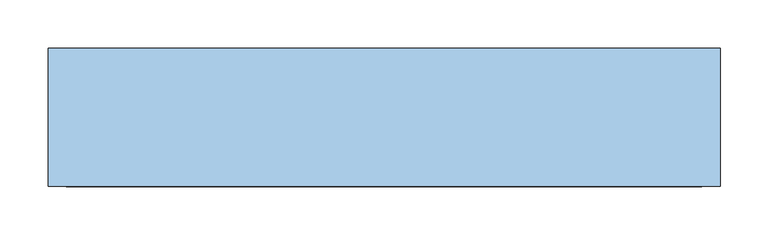
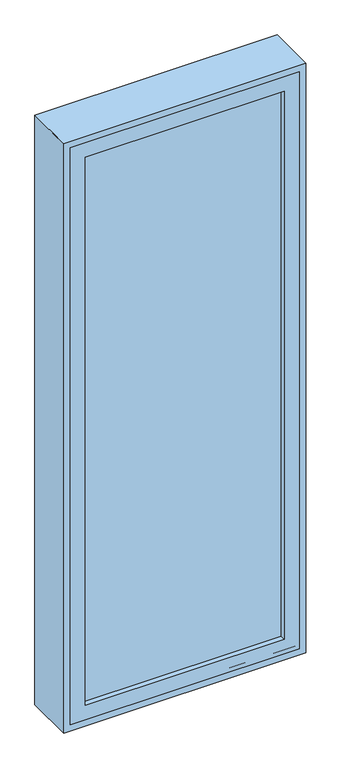
"""IFC4 building model written with IfcOpenShell, lengths in millimetres: window geometry."""

from ifc_helpers import new_model, si_unit, frame, origin, place, context, project, spatial, polyline, outline, extrude, source, transform, mapped, element, save


def window_1981a996(model_context):
    return source(origin(), model_context, "Body", "SweptSolid", [
        extrude(outline(polyline([(-287.0, -58.0), (287.0, -58.0), (287.0, -70.0), (-287.0, -70.0), (-287.0, -58.0)])), frame((0.0, 0.0, 368.0), z_axis=(0.0, 0.0, 1.0), x_axis=(1.0, 0.0, 0.0)), (0.0, 0.0, 1.0), 1674.0),
        extrude(outline(polyline([(2086.0, -331.0), (324.0, -331.0), (324.0, 331.0), (2086.0, 331.0), (2086.0, -331.0)]), holes=[polyline([(2042.0, -287.0), (2042.0, 287.0), (368.0, 287.0), (368.0, -287.0), (2042.0, -287.0)])]), frame((0.0, -86.0, 0.0), z_axis=(0.0, 1.0, 0.0), x_axis=(0.0, 0.0, 1.0)), (0.0, 0.0, 1.0), 44.0),
        extrude(outline(polyline([(2105.0, -350.0), (305.0, -350.0), (305.0, 350.0), (2105.0, 350.0), (2105.0, -350.0)]), holes=[polyline([(2086.0, -331.0), (2086.0, 331.0), (324.0, 331.0), (324.0, -331.0), (2086.0, -331.0)])]), frame((0.0, -86.0, 0.0), z_axis=(0.0, 1.0, 0.0), x_axis=(0.0, 0.0, 1.0)), (0.0, 0.0, 1.0), 144.0),
        extrude(outline(polyline([(2105.0, -350.0), (305.0, -350.0), (305.0, 350.0), (2105.0, 350.0), (2105.0, -350.0)]), holes=[polyline([(2073.0, -318.0), (2073.0, 318.0), (337.0, 318.0), (337.0, -318.0), (2073.0, -318.0)])]), frame((0.0, -86.0, 0.0), z_axis=(0.0, 1.0, 0.0), x_axis=(0.0, 0.0, 1.0)), (0.0, 0.0, 1.0), 54.0),
    ])


if __name__ == "__main__":
    model = new_model("IFC4")
    model_context = context("Model", 3, world=origin())
    ifc_project = project(units=[si_unit("LENGTHUNIT", "METRE", prefix="MILLI")], contexts=[model_context])
    site = spatial("IfcSite", under=ifc_project)
    building = spatial("IfcBuilding", under=site)
    placement = place(None, origin())
    window_shape = window_1981a996(model_context)
    element("IfcWindow", 1, at=placement, inside=building, context=model_context, shape_type="MappedRepresentation", body=[
        mapped(window_shape, transform((0.0, 0.0, 0.0), x_axis=(1.0, 0.0, 0.0), y_axis=(0.0, 1.0, 0.0), z_axis=(0.0, 0.0, 1.0))),
    ])
    save(model, "model.ifc")
